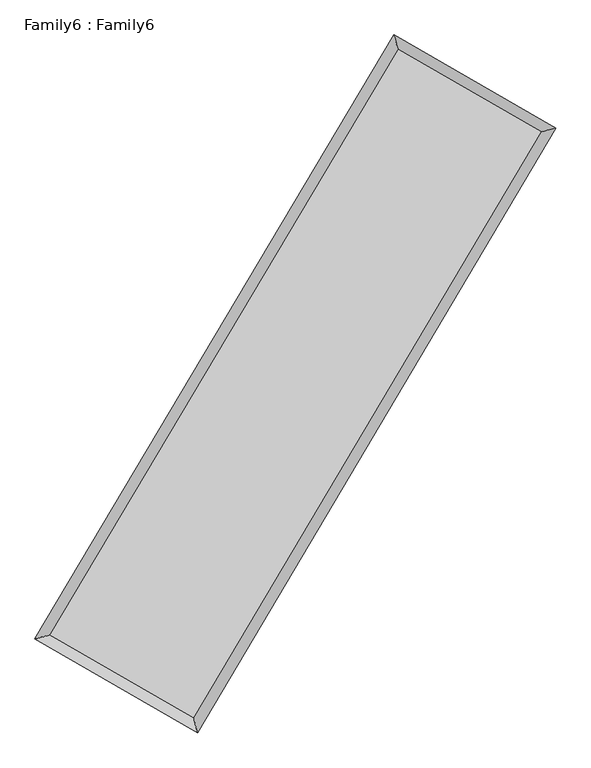
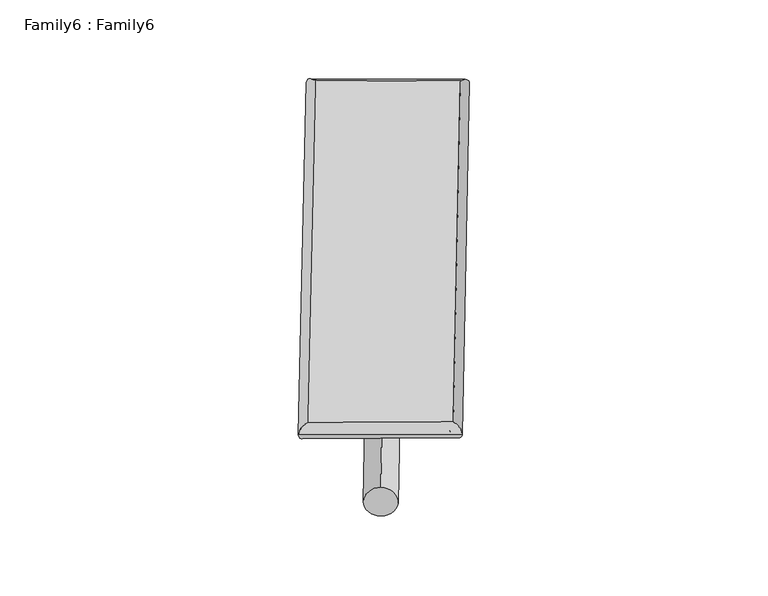
"""IFC4 building model written with IfcOpenShell, lengths in millimetres: plate geometry, Family6 : Family6."""

from ifc_helpers import new_model, si_unit, point, frame, origin, origin_2d, place, context, project, spatial, circle_curve, ellipse_curve, trimmed, segment, composite_curve, outline, extrude, source, transform, mapped, element, save
from ifc_brep_helpers import plane_surface, cylinder_surface, spline_surface, advanced_brep


def family6_family6_9fab4d74(model_context):
    return source(origin(), model_context, "Body", "SolidModel", [
        extrude(outline(composite_curve([segment(trimmed(circle_curve(origin_2d(), 76.2), [point((-75.4341514, -10.7763074))], [point((75.4341514, 10.7763074))], False, "CARTESIAN"), True, "CONTINUOUS"), segment(trimmed(circle_curve(origin_2d(), 76.2), [point((75.4341514, 10.7763074))], [point((-75.4341514, -10.7763074))], False, "CARTESIAN"), True, "CONTINUOUS")], self_intersect=False)), frame((9144.0, 9144.0, 0.0), z_axis=(0.6733206974867111, 0.6876913335314806, 0.27151402932758917), x_axis=(-0.6795609425234082, 0.7203007733775361, -0.13915358877305536)), (0.0, 0.0, 1.0), 5580.727412),
        extrude(outline(composite_curve([segment(trimmed(circle_curve(origin_2d(), 76.2), [point((-53.8815367, 53.8815367))], [point((53.8815367, -53.8815367))], False, "CARTESIAN"), True, "CONTINUOUS"), segment(trimmed(circle_curve(origin_2d(), 76.2), [point((53.8815367, -53.8815367))], [point((-53.8815367, 53.8815367))], False, "CARTESIAN"), True, "CONTINUOUS")], self_intersect=False)), frame((9144.0, 9144.0, 0.0), z_axis=(-0.6741465668107385, -0.6868934738169279, 0.2714843680306621), x_axis=(0.6401726244065911, -0.36007925041420785, 0.6786176717279914)), (0.0, 0.0, 1.0), 5581.5927095),
        extrude(outline(composite_curve([segment(trimmed(circle_curve(origin_2d(), 76.2), [point((-53.8815367, -53.8815367))], [point((53.8815367, 53.8815367))], False, "CARTESIAN"), True, "CONTINUOUS"), segment(trimmed(circle_curve(origin_2d(), 76.2), [point((53.8815367, 53.8815367))], [point((-53.8815367, -53.8815367))], False, "CARTESIAN"), True, "CONTINUOUS")], self_intersect=False)), frame((9144.0, 9144.0, 0.0), z_axis=(0.2800753372349669, 0.919609042963979, 0.2754578253954576), x_axis=(-0.8390318308541403, 0.3739217247121244, -0.3952317429077017)), (0.0, 0.0, 1.0), 5552.2819041),
        extrude(outline(composite_curve([segment(trimmed(circle_curve(origin_2d(), 76.2), [point((-75.4341514, 10.7763073))], [point((75.4341514, -10.7763073))], False, "CARTESIAN"), True, "CONTINUOUS"), segment(trimmed(circle_curve(origin_2d(), 76.2), [point((75.4341514, -10.7763073))], [point((-75.4341514, 10.7763073))], False, "CARTESIAN"), True, "CONTINUOUS")], self_intersect=False)), frame((9144.0, 9144.0, 0.0), z_axis=(-0.27896918239496143, -0.919962289746049, 0.2754007638317177), x_axis=(0.8769340798554868, -0.12717358221212502, 0.46347977256331974)), (0.0, 0.0, 1.0), 5553.5017834),
        advanced_brep(
        [(5171.2089172, 5255.1326702, 1516.4471696), (5591.1749564, 5364.9577994, 1516.7392051), (5591.1679579, 5364.9481185, 1514.1831692), (10753.220152, 14042.8925367, 1527.8742342), (10644.8943014, 14456.9647594, 1530.9647644), (5171.2019186, 5255.1229892, 1513.8911336), (12691.7797446, 12926.7794605, 1515.399404), (13111.4588024, 13036.8562915, 1515.0921684), (7540.4295492, 4242.1479482, 1529.1763109), (7649.0587469, 3827.8276184, 1529.7009553)],
        [
            (0, 1, ellipse_curve(frame((5381.1884375, 5310.0403943, 1515.3151694), z_axis=(-0.2529985115978923, 0.9674621042409879, -0.0029715293791154934), x_axis=(-0.967451435468143, -0.2530105703098668, -0.004834389527680814)), 217.0539836, 152.4)),
            (1, 2, ellipse_curve(frame((5381.1884375, 5310.0403943, 1515.3151694), z_axis=(-0.2529985115978923, 0.9674621042409879, -0.0029715293791154934), x_axis=(-0.967451435468143, -0.2530105703098668, -0.004834389527680814)), 217.0539836, 152.4)),
            (2, 3),
            (3, 4, ellipse_curve(frame((10699.0572267, 14249.9286481, 1529.4194993), z_axis=(-0.9674321755685852, -0.2531130239375148, 0.0029635768660990526), x_axis=(0.2530968943744375, -0.9674283355248933, -0.004937375978129739)), 214.0097984, 152.4)),
            (4, 0),
            (2, 5, ellipse_curve(frame((5381.1884375, 5310.0403943, 1515.3151694), z_axis=(-0.2529985115978923, 0.9674621042409879, -0.0029715293791154934), x_axis=(-0.967451435468143, -0.2530105703098668, -0.004834389527680814)), 217.0539836, 152.4)),
            (5, 0, ellipse_curve(frame((5381.1884375, 5310.0403943, 1515.3151694), z_axis=(-0.2529985115978923, 0.9674621042409879, -0.0029715293791154934), x_axis=(-0.967451435468143, -0.2530105703098668, -0.004834389527680814)), 217.0539836, 152.4)),
            (4, 3, ellipse_curve(frame((10699.0572267, 14249.9286481, 1529.4194993), z_axis=(-0.9674321755685852, -0.2531130239375148, 0.0029635768660990526), x_axis=(0.2530968943744375, -0.9674283355248933, -0.004937375978129739)), 214.0097984, 152.4)),
            (3, 6),
            (6, 7, ellipse_curve(frame((12901.6192735, 12981.817876, 1515.2457862), z_axis=(-0.2537031937074065, 0.9672774683432935, 0.002998122420940199), x_axis=(-0.9672666047891195, -0.25371545949182833, 0.004876563808622634)), 216.9394338, 152.4)),
            (7, 4),
            (7, 6, ellipse_curve(frame((12901.6192735, 12981.817876, 1515.2457862), z_axis=(-0.2537031937074065, 0.9672774683432935, 0.002998122420940199), x_axis=(-0.9672666047891195, -0.25371545949182833, 0.004876563808622634)), 216.9394338, 152.4)),
            (6, 8),
            (8, 9, ellipse_curve(frame((7594.7441481, 4034.9877833, 1529.4386331), z_axis=(0.9673003452854896, 0.25361679844507196, 0.0029260138489535527), x_axis=(-0.2536009479420165, 0.9672964874096439, -0.004905573144430128)), 214.1636853, 152.4)),
            (9, 7),
            (9, 8, ellipse_curve(frame((7594.7441481, 4034.9877833, 1529.4386331), z_axis=(0.9673003452854896, 0.25361679844507196, 0.0029260138489535527), x_axis=(-0.2536009479420165, 0.9672964874096439, -0.004905573144430128)), 214.1636853, 152.4)),
            (8, 1),
            (5, 9),
        ],
        [
            cylinder_surface(frame((5381.1884375, 5310.0403943, 1515.3151694), z_axis=(-0.5112353992371915, -0.8594396593324152, -0.0013559252825181538), x_axis=(-0.8594132523003165, 0.5112058030932235, 0.008802764020750104)), 152.4),
            cylinder_surface(frame((10699.0572267, 14249.9286481, 1529.4194993), z_axis=(-0.866614257020922, 0.49894752165693845, 0.005576751785264124), x_axis=(0.4989723384150418, 0.86660548197721, 0.004641562632631771)), 152.4),
            cylinder_surface(frame((12901.6192735, 12981.817876, 1515.2457862), z_axis=(0.5101611581881482, 0.8600777471369937, -0.0013643884641438482), x_axis=(0.8600787479316561, -0.5101611581881481, 0.00037420908892520007)), 152.4),
            cylinder_surface(frame((7594.7441481, 4034.9877833, 1529.4386331), z_axis=(0.86651082451285, -0.49912766326350044, 0.005528722020398904), x_axis=(-0.4991139013721402, -0.8665283298392292, -0.0037372507432172136)), 152.4),
        ],
        [
            (0, [[1, 2, 3, 4, 5]]),
            (0, [[6, 7, -5, 8, -3]]),
            (1, [[-4, 9, 10, 11]]),
            (1, [[-8, -11, 12, -9]]),
            (2, [[-10, 13, 14, 15]]),
            (2, [[-12, -15, 16, -13]]),
            (3, [[-14, 17, -1, -7, 18]]),
            (3, [[-16, -18, -6, -2, -17]]),
        ],
    ),
        extrude(outline(composite_curve([segment(trimmed(circle_curve(origin_2d(), 304.8), [point((-1e-07, -304.8))], [point((0.0, 304.8))], False, "CARTESIAN"), True, "CONTINUOUS"), segment(trimmed(circle_curve(origin_2d(), 304.8), [point((0.0, 304.8))], [point((-1e-07, -304.8))], False, "CARTESIAN"), True, "CONTINUOUS")], self_intersect=False)), frame((6483.8119442, 4648.4455989, -0.0003908), z_axis=(0.5092576344573074, 0.860614118956308, 7.481010672099539e-08), x_axis=(-0.8606141189563108, 0.5092576344573073, 2.0475829777967763e-08)), (0.0, 0.0, 1.0), 10447.3173332),
        advanced_brep(
        [(5381.1884375, 5310.0403943, 1515.3151694), (7594.7441481, 4034.9877833, 1529.4386331), (7594.7439105, 4034.9886847, 1681.8386331), (5381.1881999, 5310.0412958, 1667.7151693), (12901.6192735, 12981.817876, 1515.2457862), (12901.6190359, 12981.8187775, 1667.6457862), (10699.0572267, 14249.9286481, 1529.4194993), (10699.0569891, 14249.9295495, 1681.8194993)],
        [
            (0, 1),
            (1, 2),
            (2, 3),
            (3, 0),
            (1, 4),
            (4, 5),
            (5, 2),
            (4, 6),
            (6, 7),
            (7, 5),
            (6, 0),
            (3, 7),
        ],
        [
            plane_surface(frame((6487.9662928, 4672.5140888, 1522.3769012), z_axis=(-0.4991353126208867, -0.8665240560284234, 4.347392734659495e-06), x_axis=(0.8665108245128499, -0.49912766326350055, 0.005528722020398907))),
            plane_surface(frame((10248.1817108, 8508.4028296, 1522.3422096), z_axis=(0.8600785507050904, -0.5101616279161291, 4.358471112331209e-06), x_axis=(0.5101611581881484, 0.8600777471369934, -0.0013643884641438466))),
            plane_surface(frame((11800.3382501, 13615.873262, 1522.3326427), z_axis=(0.4989552594917376, 0.8666277453478081, -4.348286778682337e-06), x_axis=(-0.8666142570209218, 0.4989475216569387, 0.0055767517852641285))),
            plane_surface(frame((8040.1228321, 9779.9845212, 1522.3673343), z_axis=(-0.859440446354569, 0.5112358742799809, -4.36383053618579e-06), x_axis=(-0.5112353992371914, -0.8594396593324152, -0.0013559252825181534))),
            spline_surface(1, 1, [[(7594.7439105, 4034.9886847, 1681.8386331), (5381.1881999, 5310.0412958, 1667.7151693)], [(12901.6190359, 12981.8187775, 1667.6457862), (10699.0569891, 14249.9295495, 1681.8194993)]], [2, 2], [2, 2], [0.0, 1.0], [0.0, 1.0]),
            spline_surface(1, 1, [[(10699.0572267, 14249.9286481, 1529.4194993), (5381.1884375, 5310.0403943, 1515.3151694)], [(12901.6192735, 12981.817876, 1515.2457862), (7594.7441481, 4034.9877833, 1529.4386331)]], [2, 2], [2, 2], [0.0, 1.0], [0.0, 1.0]),
        ],
        [
            (0, [[1, 2, 3, 4]]),
            (1, [[5, 6, 7, -2]]),
            (2, [[8, 9, 10, -6]]),
            (3, [[11, -4, 12, -9]]),
            (4, [[-3, -7, -10, -12]]),
            (5, [[-11, -8, -5, -1]]),
        ],
    ),
    ])


if __name__ == "__main__":
    model = new_model("IFC4")
    model_context = context("Model", 3, world=origin())
    ifc_project = project(units=[si_unit("LENGTHUNIT", "METRE", prefix="MILLI")], contexts=[model_context])
    site = spatial("IfcSite", under=ifc_project)
    building = spatial("IfcBuilding", under=site)
    placement = place(None, origin())
    family6_family6_shape = family6_family6_9fab4d74(model_context)
    element("IfcPlate", 1, ObjectType="Family6 : Family6", at=placement, inside=building, context=model_context, shape_type="MappedRepresentation", body=[
        mapped(family6_family6_shape, transform((0.0, 0.0, 0.0), x_axis=(1.0, 0.0, 0.0), y_axis=(0.0, 1.0, 0.0), z_axis=(0.0, 0.0, 1.0))),
    ])
    save(model, "model.ifc")
